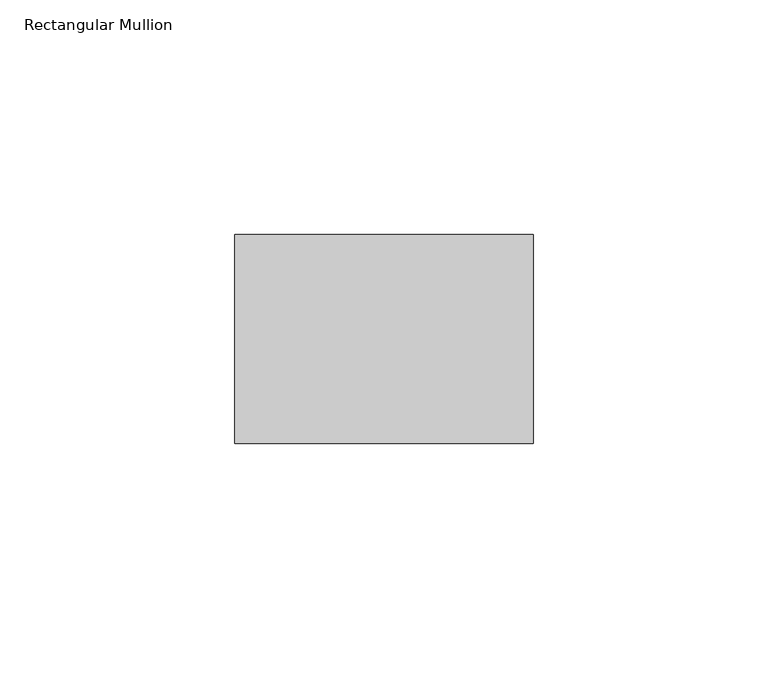
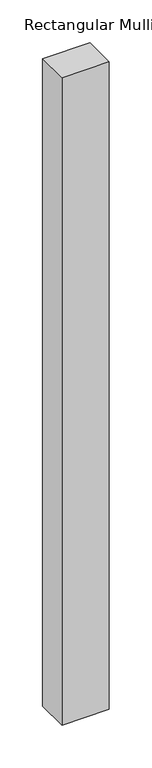
"""IFC4 building model written with IfcOpenShell, lengths in millimetres: member geometry, Rectangular Mullion."""

from ifc_helpers import new_model, si_unit, frame, origin, place, context, project, spatial, polyline, outline, extrude, source, transform, mapped, element, save


def rectangular_mullion_99ae825b(model_context):
    return source(origin(), model_context, "Body", "SweptSolid", [
        extrude(outline(polyline([(0.0, 22.225), (0.0, -22.225), (-63.5, -22.225), (-63.5, 22.225), (0.0, 22.225)])), frame((0.0, 0.0, -919.6916667), z_axis=(0.0, 0.0, 1.0), x_axis=(1.0, 0.0, 0.0)), (0.0, 0.0, 1.0), 919.6916667),
    ])


if __name__ == "__main__":
    model = new_model("IFC4")
    model_context = context("Model", 3, world=origin())
    ifc_project = project(units=[si_unit("LENGTHUNIT", "METRE", prefix="MILLI")], contexts=[model_context])
    site = spatial("IfcSite", under=ifc_project)
    building = spatial("IfcBuilding", under=site)
    placement = place(None, origin())
    rectangular_mullion_shape = rectangular_mullion_99ae825b(model_context)
    element("IfcMember", 1, ObjectType="Rectangular Mullion", at=placement, inside=building, context=model_context, shape_type="MappedRepresentation", body=[
        mapped(rectangular_mullion_shape, transform((0.0, 0.0, 0.0), x_axis=(1.0, 0.0, 0.0), y_axis=(0.0, 1.0, 0.0), z_axis=(0.0, 0.0, 1.0))),
    ])
    save(model, "model.ifc")
